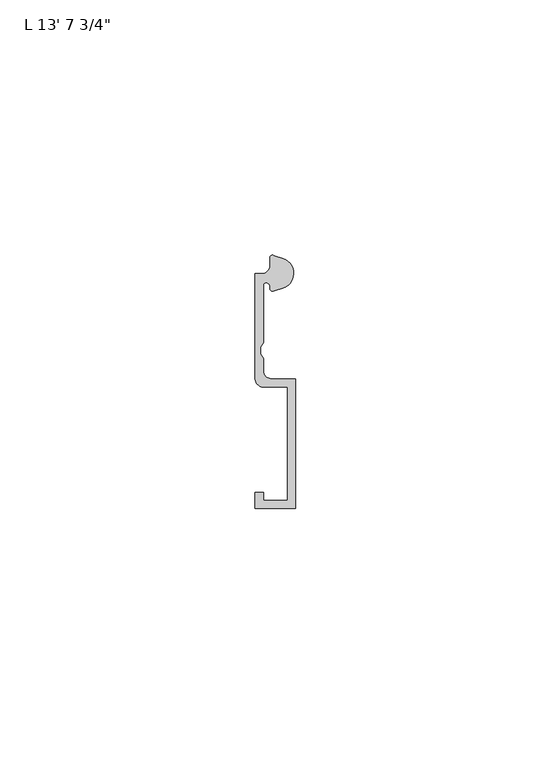
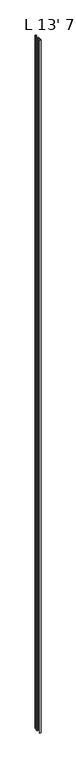
"""IFC4 building model written with IfcOpenShell, lengths in millimetres: proxy geometry."""

from ifc_helpers import new_model, si_unit, point, frame_2d, origin, origin_with_axes, place, context, project, spatial, polyline, circle_curve, trimmed, segment, composite_curve, outline, extrude, source, transform, mapped, element, save


def proxy_5701241c(model_context):
    return source(origin(), model_context, "Body", "SweptSolid", [
        extrude(outline(composite_curve([segment(trimmed(circle_curve(frame_2d((4.5018192, -3.531999)), 3.048), [point((5.4099313, -0.6224223))], [point((7.1037699, -1.944499))], False, "CARTESIAN"), True, "CONTINUOUS"), segment(trimmed(circle_curve(frame_2d((4.5018192, -3.531999)), 3.048), [point((7.1037699, -1.944499))], [point((5.4099313, -6.4415757))], False, "CARTESIAN"), True, "CONTINUOUS"), segment(polyline([(5.4099313, -6.4415757), (3.6135887, -7.0022347)]), True, "CONTINUOUS"), segment(trimmed(circle_curve(frame_2d((3.4254762, -6.4635334)), 0.5706009), [point((3.6135887, -7.0022347))], [point((2.8720827, -6.3244611))], False, "CARTESIAN"), True, "CONTINUOUS"), segment(trimmed(circle_curve(frame_2d((2.1330622, -6.1387392)), 0.762), [point((2.8720827, -6.3244611))], [point((2.1123834, -5.3770198))], True, "CARTESIAN"), True, "CONTINUOUS"), segment(trimmed(circle_curve(frame_2d((2.0955, -5.8847392)), 0.508), [point((2.1123834, -5.3770198))], [point((1.5875, -5.8847392))], True, "CARTESIAN"), True, "CONTINUOUS"), segment(polyline([(1.5875, -5.8847392), (1.5875, -17.0723512), (1.0783361, -17.9897709), (1.0783361, -19.3299316), (1.5875, -20.2473512), (1.5875, -22.6259797)]), True, "CONTINUOUS"), segment(trimmed(circle_curve(frame_2d((3.175, -22.6259797)), 1.5875), [point((1.5875, -22.6259797))], [point((3.175, -24.2134797))], True, "CARTESIAN"), True, "CONTINUOUS"), segment(polyline([(3.175, -24.2134797), (7.9375, -24.2134797), (7.9375, -49.6175641), (0.0, -49.6175641), (0.0, -46.4425641), (1.5875, -46.4425641), (1.5875, -48.0300641), (6.35, -48.0300641), (6.35, -25.8237392), (1.5875, -25.8237392)]), True, "CONTINUOUS"), segment(trimmed(circle_curve(frame_2d((1.5875, -24.2362392)), 1.5875), [point((1.5875, -25.8237392))], [point((0.0, -24.2362392))], False, "CARTESIAN"), True, "CONTINUOUS"), segment(polyline([(0.0, -24.2362392), (0.0, -3.5987392), (1.3075622, -3.5987392)]), True, "CONTINUOUS"), segment(trimmed(circle_curve(frame_2d((1.3075622, -2.0112392)), 1.5875), [point((1.3075622, -3.5987392))], [point((2.8950622, -2.0112392))], True, "CARTESIAN"), True, "CONTINUOUS"), segment(polyline([(2.8950622, -2.0112392), (2.8950622, -0.4696291)]), True, "CONTINUOUS"), segment(trimmed(circle_curve(frame_2d((3.3646912, -0.4696291)), 0.4696291), [point((2.8950622, -0.4696291))], [point((3.5749842, -0.0497144))], False, "CARTESIAN"), True, "CONTINUOUS"), segment(polyline([(3.5749842, -0.0497144), (5.4099313, -0.6224223)]), True, "CONTINUOUS")], self_intersect=False)), origin_with_axes(), (0.0, 0.0, 1.0), 4159.25),
    ])


if __name__ == "__main__":
    model = new_model("IFC4")
    model_context = context("Model", 3, world=origin())
    ifc_project = project(units=[si_unit("LENGTHUNIT", "METRE", prefix="MILLI")], contexts=[model_context])
    site = spatial("IfcSite", under=ifc_project)
    building = spatial("IfcBuilding", under=site)
    placement = place(None, origin())
    proxy_shape = proxy_5701241c(model_context)
    element("IfcBuildingElementProxy", 1, Name="L 13' 7 3/4\"", ObjectType="L 13' 7 3/4\"", at=placement, inside=building, context=model_context, shape_type="MappedRepresentation", body=[
        mapped(proxy_shape, transform((0.0, 0.0, 0.0), x_axis=(1.0, 0.0, 0.0), y_axis=(0.0, 1.0, 0.0), z_axis=(0.0, 0.0, 1.0))),
    ])
    save(model, "model.ifc")
